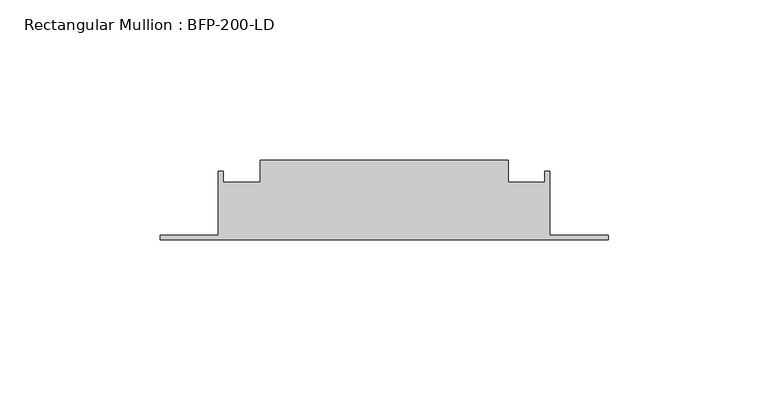
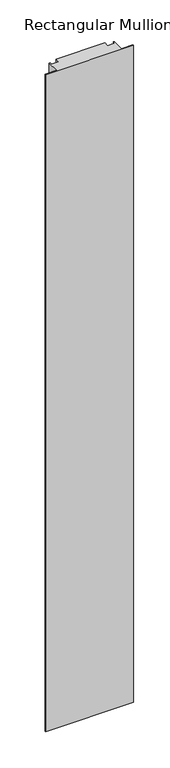
"""IFC4 building model written with IfcOpenShell, lengths in millimetres: member geometry, Rectangular Mullion : BFP-200-LD."""

import ifcopenshell
import ifcopenshell.guid

model = None  # the IFC model being written
_history = None  # IfcOwnerHistory: only IFC2X3 demands one
_inside = {}  # id of a spatial element -> (the spatial element, [elements in it])
_under = {}  # id of a project, library or spatial element -> (it, [spatial elements below it])
_declared = {}  # id of a project -> (the project, [libraries it declares])
_typed = {}  # id of a type object -> (the type object, [elements of that type])
_made_of = {}  # id of a material, layer set ... -> (it, [elements and type objects made of it])


def new_model(schema):
    """Start an empty IFC model of exactly this schema.

    Asked for "IFC4X3", IfcOpenShell would pick the latest addendum, in which some entities
    have other attributes; the version numbers below select the first issue.
    IFC2X3 requires an IfcOwnerHistory on every rooted entity: one is made here for all.
    """
    global model, _history
    if schema == "IFC4X3":
        model = ifcopenshell.file(schema_version=(4, 3, 0, 0))
    else:
        model = ifcopenshell.file(schema=schema)
    _inside.clear()
    _under.clear()
    _declared.clear()
    _typed.clear()
    _made_of.clear()
    _history = None
    if model.schema == "IFC2X3":
        org = make("IfcOrganization", Name="unknown")
        user = make(
            "IfcPersonAndOrganization",
            ThePerson=make("IfcPerson", FamilyName="unknown"),
            TheOrganization=org,
        )
        app = make(
            "IfcApplication",
            ApplicationDeveloper=org,
            Version="unknown",
            ApplicationFullName="unknown",
            ApplicationIdentifier="unknown",
        )
        _history = make(
            "IfcOwnerHistory",
            OwningUser=user,
            OwningApplication=app,
            ChangeAction="ADDED",
            CreationDate=0,
        )
    return model


def make(cls, **values):
    """One entity of the class cls with the attributes given. An attribute that is None is left unset."""
    return model.create_entity(
        cls, **{name: value for name, value in values.items() if value is not None}
    )


def rooted(cls, **values):
    """An entity with a GlobalId (a new one), such as an element, a storey or a relation."""
    return make(cls, GlobalId=ifcopenshell.guid.new(), OwnerHistory=_history, **values)


def si_unit(unit_type, name, prefix=None):
    """IfcSIUnit, for example si_unit("LENGTHUNIT", "METRE", prefix="MILLI")."""
    return make("IfcSIUnit", UnitType=unit_type, Prefix=prefix, Name=name)


def assignment(units):
    """IfcUnitAssignment: the units of a project."""
    return None if units is None else make("IfcUnitAssignment", Units=units)


def point(xyz):
    """IfcCartesianPoint."""
    return None if xyz is None else make("IfcCartesianPoint", Coordinates=xyz)


def direction(xyz):
    """IfcDirection."""
    return None if xyz is None else make("IfcDirection", DirectionRatios=xyz)


def frame(location, z_axis=None, x_axis=None):
    """IfcAxis2Placement3D, a coordinate frame: its origin and axes. An axis left out is left unset."""
    return make(
        "IfcAxis2Placement3D",
        Location=point(location),
        Axis=direction(z_axis),
        RefDirection=direction(x_axis),
    )


def origin():
    """The frame at (0, 0, 0) with its axes left unset."""
    return frame((0.0, 0.0, 0.0))


def place(relative_to, where):
    """IfcLocalPlacement: puts the frame where relative to a parent placement (None: the world)."""
    return make(
        "IfcLocalPlacement", PlacementRelTo=relative_to, RelativePlacement=where
    )


def context(
    kind, dimensions, precision=None, world=None, true_north=None, identifier=None
):
    """IfcGeometricRepresentationContext, for example the 3D "Model" context."""
    return make(
        "IfcGeometricRepresentationContext",
        ContextIdentifier=identifier,
        ContextType=kind,
        CoordinateSpaceDimension=dimensions,
        Precision=precision,
        WorldCoordinateSystem=world,
        TrueNorth=true_north,
    )


def project(units=None, contexts=None):
    """IfcProject with its units and contexts."""
    return rooted(
        "IfcProject",
        Name="project",
        RepresentationContexts=contexts,
        UnitsInContext=assignment(units),
    )


def spatial(cls, under=None, at=None, **own):
    """A site, building, storey or space (cls), placed at a placement, below another one or the project."""
    s = rooted(cls, ObjectPlacement=at, **own)
    if under is not None:
        _under.setdefault(under.id(), (under, []))[1].append(s)
    return s


def polyline(points):
    """IfcPolyline through the points."""
    return make("IfcPolyline", Points=[point(p) for p in points])


def outline(outer, holes=None, kind="AREA"):
    """IfcArbitraryClosedProfileDef: a profile drawn as a closed curve; with holes, ...WithVoids."""
    if holes is None:
        return make("IfcArbitraryClosedProfileDef", ProfileType=kind, OuterCurve=outer)
    return make(
        "IfcArbitraryProfileDefWithVoids",
        ProfileType=kind,
        OuterCurve=outer,
        InnerCurves=holes,
    )


def extrude(swept, where, along, depth):
    """IfcExtrudedAreaSolid: the profile swept, set in the frame where, extruded along a direction by depth."""
    return make(
        "IfcExtrudedAreaSolid",
        SweptArea=swept,
        Position=where,
        ExtrudedDirection=direction(along),
        Depth=depth,
    )


def shape(context_of_items, identifier, shape_type, items):
    """IfcShapeRepresentation: the items that make up one representation, for example the "Body"."""
    return make(
        "IfcShapeRepresentation",
        ContextOfItems=context_of_items,
        RepresentationIdentifier=identifier,
        RepresentationType=shape_type,
        Items=items,
    )


def source(mapping_origin, context_of_items, identifier, shape_type, items):
    """IfcRepresentationMap: a shape defined once, which mapped items show again and again."""
    return make(
        "IfcRepresentationMap",
        MappingOrigin=mapping_origin,
        MappedRepresentation=shape(context_of_items, identifier, shape_type, items),
    )


def transform(
    local_origin,
    x_axis=None,
    y_axis=None,
    z_axis=None,
    scale=None,
    scale2=None,
    scale3=None,
    uniform=True,
):
    """IfcCartesianTransformationOperator3D, or its non-uniform kind. x_axis, y_axis, z_axis: its Axis1, 2, 3."""
    if uniform:
        return make(
            "IfcCartesianTransformationOperator3D",
            Axis1=direction(x_axis),
            Axis2=direction(y_axis),
            LocalOrigin=point(local_origin),
            Scale=scale,
            Axis3=direction(z_axis),
        )
    return make(
        "IfcCartesianTransformationOperator3DnonUniform",
        Axis1=direction(x_axis),
        Axis2=direction(y_axis),
        LocalOrigin=point(local_origin),
        Scale=scale,
        Axis3=direction(z_axis),
        Scale2=scale2,
        Scale3=scale3,
    )


def mapped(mapping_source, mapping_target):
    """IfcMappedItem: shows the shape of a source again, moved by a transform."""
    return make(
        "IfcMappedItem", MappingSource=mapping_source, MappingTarget=mapping_target
    )


def made_of(thing, what):
    """Note that an element or type object is made of a material, layer set ...; save() writes the relation."""
    if what is not None:
        _made_of.setdefault(what.id(), (what, []))[1].append(thing)
    return thing


def element(
    cls,
    number,
    at=None,
    inside=None,
    cuts=None,
    type_object=None,
    material=None,
    context=None,
    identifier="Body",
    shape_type=None,
    held_by="IfcProductDefinitionShape",
    body=None,
    shapes=None,
    **own,
):
    """One element of the class cls, such as IfcWall. Its Tag is "e" and its number.

    at: its placement. inside: the storey or other place that contains it. cuts: it is an
    opening in that element (IfcRelVoidsElement). A single representation is given by context,
    identifier, shape_type and body (its items); several are given by shapes. held_by: the class
    of the entity that holds the representations. save() writes the other relations.
    """
    e = rooted(cls, Tag="e%d" % number, ObjectPlacement=at, **own)
    if body is not None:
        shapes = [shape(context, identifier, shape_type, body)]
    if shapes is not None:
        e.Representation = make(held_by, Representations=shapes)
    if inside is not None:
        _inside.setdefault(inside.id(), (inside, []))[1].append(e)
    if cuts is not None:
        rooted(
            "IfcRelVoidsElement", RelatingBuildingElement=cuts, RelatedOpeningElement=e
        )
    if type_object is not None:
        _typed.setdefault(type_object.id(), (type_object, []))[1].append(e)
    return made_of(e, material)


def aggregate(whole, parts):
    """IfcRelAggregates: a whole, such as a stair, and the parts it consists of."""
    return rooted("IfcRelAggregates", RelatingObject=whole, RelatedObjects=parts)


def save(model, path):
    """Write the relations noted so far, then the file.

    IfcRelAggregates (storeys below a building ...), IfcRelContainedInSpatialStructure (elements
    in a storey), IfcRelDefinesByType, IfcRelAssociatesMaterial and IfcRelDeclares: one each for
    every whole, place, type object, material and project.
    """
    for whole, parts in _under.values():
        aggregate(whole, parts)
    for where, things in _inside.values():
        rooted(
            "IfcRelContainedInSpatialStructure",
            RelatedElements=things,
            RelatingStructure=where,
        )
    for kind, things in _typed.values():
        rooted("IfcRelDefinesByType", RelatedObjects=things, RelatingType=kind)
    for what, things in _made_of.values():
        rooted("IfcRelAssociatesMaterial", RelatedObjects=things, RelatingMaterial=what)
    for by, libraries in _declared.values():
        rooted("IfcRelDeclares", RelatingContext=by, RelatedDefinitions=libraries)
    model.write(path)


def rectangular_mullion_bfp_200_ld_03a58470(model_context):
    return source(origin(), model_context, "Body", "SweptSolid", [
        extrude(outline(polyline([(-108.75, 45.0), (-31.25, 45.0), (-31.25, 38.0), (-19.75, 38.0), (-19.75, 41.5), (-18.25, 41.5), (-18.25, 21.5), (0.0, 21.5), (0.0, 20.0), (-140.0, 20.0), (-140.0, 21.5), (-121.75, 21.5), (-121.75, 41.5), (-120.25, 41.5), (-120.25, 38.0), (-108.75, 38.0), (-108.75, 45.0)])), frame((0.0, 0.0, -1100.0), z_axis=(0.0, 0.0, 1.0), x_axis=(1.0, 0.0, 0.0)), (0.0, 0.0, 1.0), 1100.0),
    ])


if __name__ == "__main__":
    model = new_model("IFC4")
    model_context = context("Model", 3, world=origin())
    ifc_project = project(units=[si_unit("LENGTHUNIT", "METRE", prefix="MILLI")], contexts=[model_context])
    site = spatial("IfcSite", under=ifc_project)
    building = spatial("IfcBuilding", under=site)
    placement = place(None, origin())
    rectangular_mullion_bfp_200_ld_shape = rectangular_mullion_bfp_200_ld_03a58470(model_context)
    element("IfcMember", 1, ObjectType="Rectangular Mullion : BFP-200-LD", at=placement, inside=building, context=model_context, shape_type="MappedRepresentation", body=[
        mapped(rectangular_mullion_bfp_200_ld_shape, transform((0.0, 0.0, 0.0), x_axis=(1.0, 0.0, 0.0), y_axis=(0.0, 1.0, 0.0), z_axis=(0.0, 0.0, 1.0))),
    ])
    save(model, "model.ifc")
